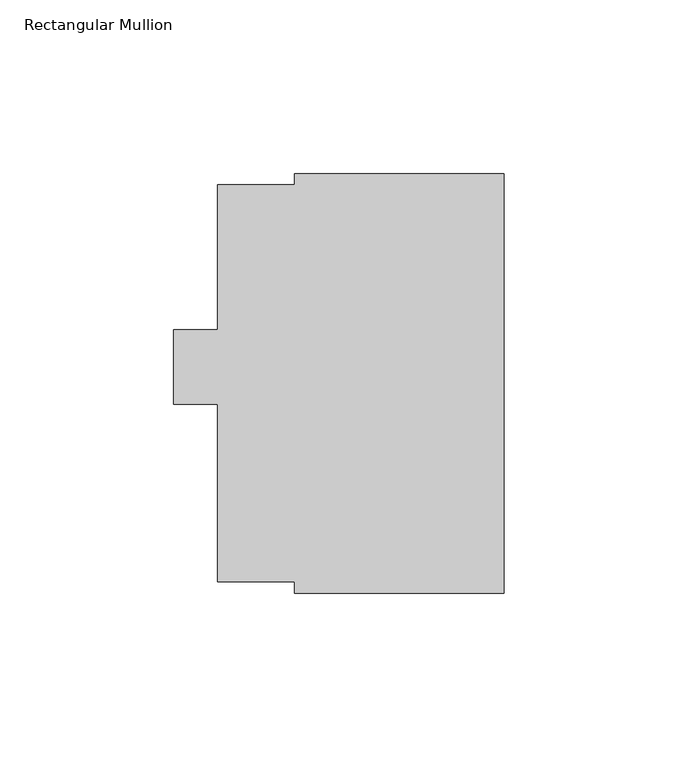
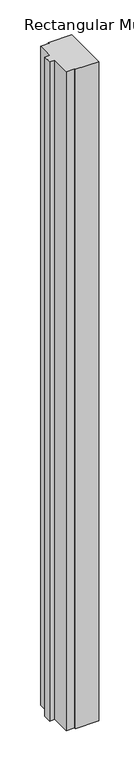
"""IFC4 building model written with IfcOpenShell, lengths in millimetres: member geometry, Rectangular Mullion."""

from ifc_helpers import new_model, si_unit, frame, origin, place, context, project, spatial, polyline, outline, extrude, source, transform, mapped, element, save


def rectangular_mullion_fbae1bd0(model_context):
    return source(origin(), model_context, "Body", "SweptSolid", [
        extrude(outline(polyline([(0.0, 117.503575), (0.0, -3.298825), (-60.325, -3.298825), (-60.325, -0.047625), (-82.55, -0.047625), (-82.55, 51.158775), (-95.25, 51.158775), (-95.25, 72.545575), (-82.55, 72.545575), (-82.55, 114.252375), (-60.325, 114.252375), (-60.325, 117.503575), (0.0, 117.503575)])), frame((0.0, 0.0, -1803.4), z_axis=(0.0, 0.0, 1.0), x_axis=(1.0, 0.0, 0.0)), (0.0, 0.0, 1.0), 1803.4),
    ])


if __name__ == "__main__":
    model = new_model("IFC4")
    model_context = context("Model", 3, world=origin())
    ifc_project = project(units=[si_unit("LENGTHUNIT", "METRE", prefix="MILLI")], contexts=[model_context])
    site = spatial("IfcSite", under=ifc_project)
    building = spatial("IfcBuilding", under=site)
    placement = place(None, origin())
    rectangular_mullion_shape = rectangular_mullion_fbae1bd0(model_context)
    element("IfcMember", 1, ObjectType="Rectangular Mullion", at=placement, inside=building, context=model_context, shape_type="MappedRepresentation", body=[
        mapped(rectangular_mullion_shape, transform((0.0, 0.0, 0.0), x_axis=(1.0, 0.0, 0.0), y_axis=(0.0, 1.0, 0.0), z_axis=(0.0, 0.0, 1.0))),
    ])
    save(model, "model.ifc")
